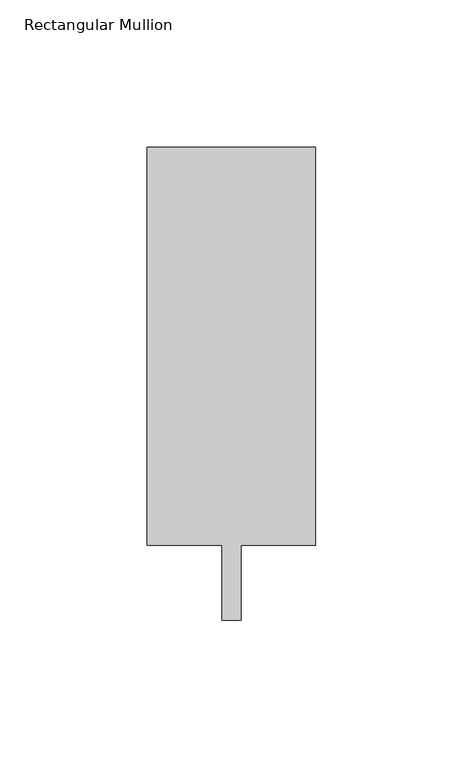
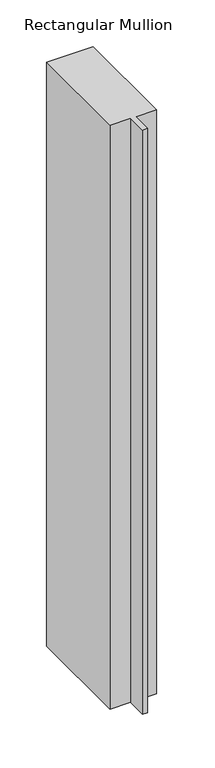
"""IFC4 building model written with IfcOpenShell, lengths in millimetres: member geometry, Rectangular Mullion."""

from ifc_helpers import new_model, si_unit, frame, origin, place, context, project, spatial, polyline, outline, extrude, source, transform, mapped, element, save


def rectangular_mullion_f285395f(model_context):
    return source(origin(), model_context, "Body", "SweptSolid", [
        extrude(outline(polyline([(28.575, 147.6375), (28.575, 12.7), (3.175, 12.7), (3.175, -12.7), (-3.175, -12.7), (-3.175, 12.7), (-28.575, 12.7), (-28.575, 147.6375), (28.575, 147.6375)])), frame((0.0, 0.0, -759.9442548), z_axis=(0.0, 0.0, 1.0), x_axis=(1.0, 0.0, 0.0)), (0.0, 0.0, 1.0), 759.9442548),
    ])


if __name__ == "__main__":
    model = new_model("IFC4")
    model_context = context("Model", 3, world=origin())
    ifc_project = project(units=[si_unit("LENGTHUNIT", "METRE", prefix="MILLI")], contexts=[model_context])
    site = spatial("IfcSite", under=ifc_project)
    building = spatial("IfcBuilding", under=site)
    placement = place(None, origin())
    rectangular_mullion_shape = rectangular_mullion_f285395f(model_context)
    element("IfcMember", 1, ObjectType="Rectangular Mullion", at=placement, inside=building, context=model_context, shape_type="MappedRepresentation", body=[
        mapped(rectangular_mullion_shape, transform((0.0, 0.0, 0.0), x_axis=(1.0, 0.0, 0.0), y_axis=(0.0, 1.0, 0.0), z_axis=(0.0, 0.0, 1.0))),
    ])
    save(model, "model.ifc")
